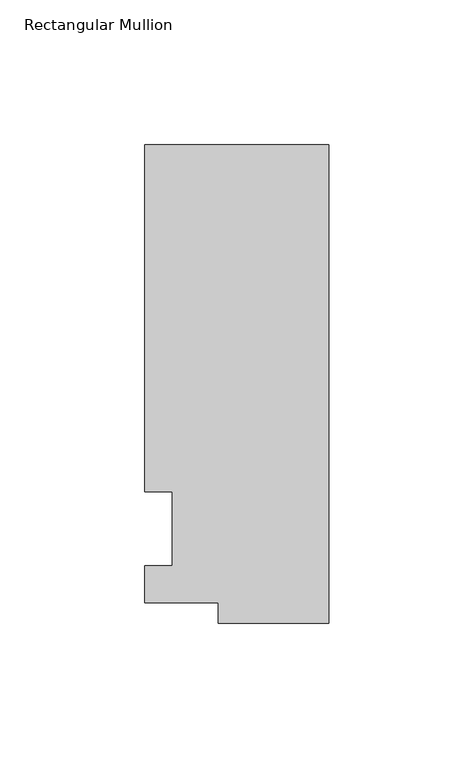
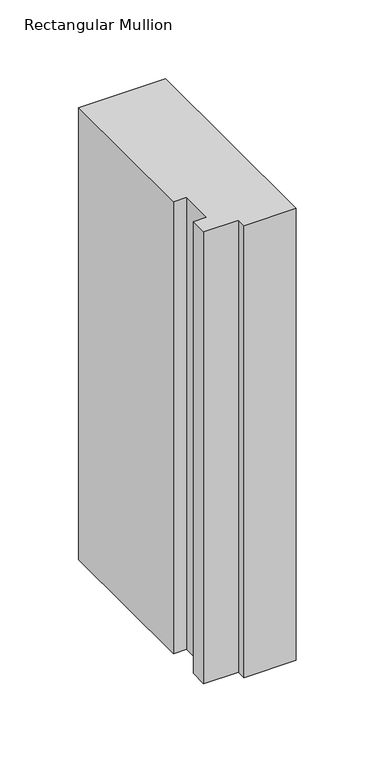
"""IFC4 building model written with IfcOpenShell, lengths in millimetres: member geometry, Rectangular Mullion."""

from ifc_helpers import new_model, si_unit, frame, origin, place, context, project, spatial, polyline, outline, extrude, source, transform, mapped, element, save


def rectangular_mullion_3892116f(model_context):
    return source(origin(), model_context, "Body", "SweptSolid", [
        extrude(outline(polyline([(-38.1, -32.54375), (-38.1, -25.58415), (-63.5, -25.58415), (-63.5, -12.7), (-53.975, -12.7), (-53.975, 12.7), (-63.5, 12.7), (-63.5, 132.55625), (0.0, 132.55625), (0.0, -32.54375), (-38.1, -32.54375)])), frame((0.0, 0.0, -349.25), z_axis=(0.0, 0.0, 1.0), x_axis=(1.0, 0.0, 0.0)), (0.0, 0.0, 1.0), 349.25),
    ])


if __name__ == "__main__":
    model = new_model("IFC4")
    model_context = context("Model", 3, world=origin())
    ifc_project = project(units=[si_unit("LENGTHUNIT", "METRE", prefix="MILLI")], contexts=[model_context])
    site = spatial("IfcSite", under=ifc_project)
    building = spatial("IfcBuilding", under=site)
    placement = place(None, origin())
    rectangular_mullion_shape = rectangular_mullion_3892116f(model_context)
    element("IfcMember", 1, ObjectType="Rectangular Mullion", at=placement, inside=building, context=model_context, shape_type="MappedRepresentation", body=[
        mapped(rectangular_mullion_shape, transform((0.0, 0.0, 0.0), x_axis=(1.0, 0.0, 0.0), y_axis=(0.0, 1.0, 0.0), z_axis=(0.0, 0.0, 1.0))),
    ])
    save(model, "model.ifc")
